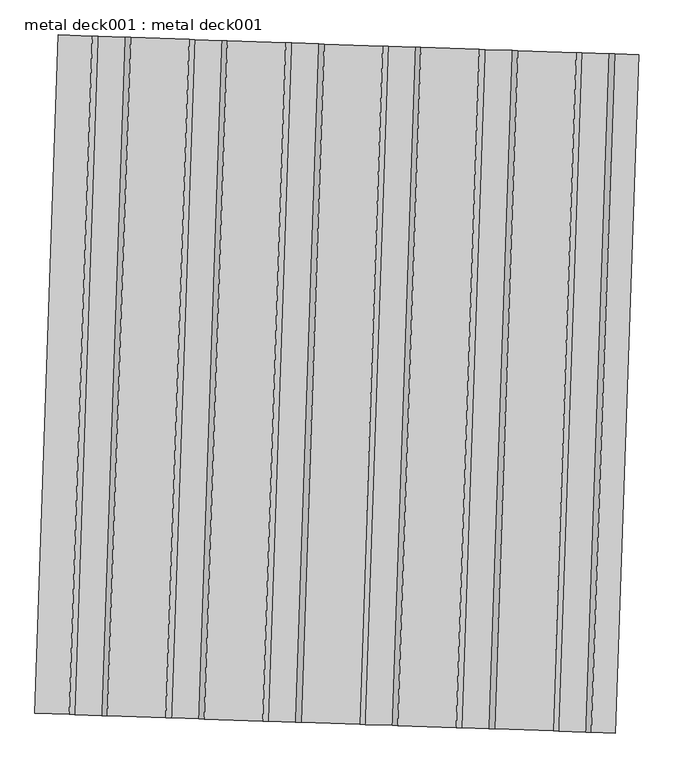
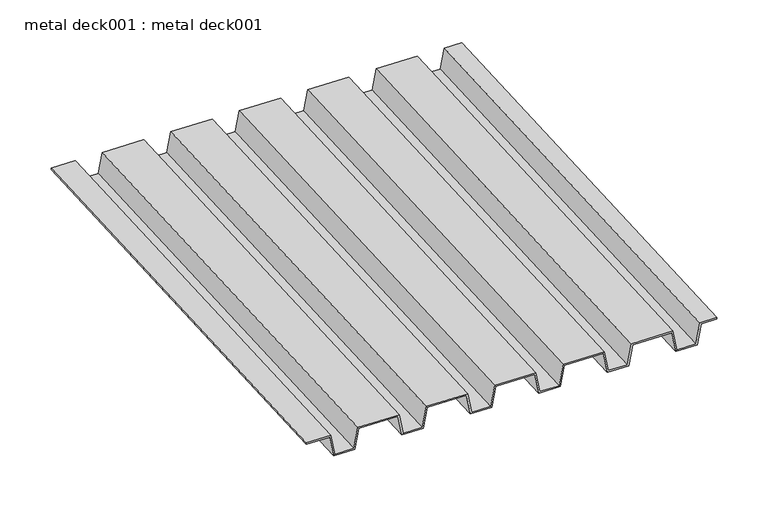
"""IFC4 building model written with IfcOpenShell, lengths in millimetres: proxy geometry, metal deck001 : metal deck001."""

from ifc_helpers import new_model, si_unit, frame, origin, place, context, project, spatial, polyline, outline, extrude, source, transform, mapped, element, save


def metal_deck001_metal_deck001_d8a4e8d2(model_context):
    return source(origin(), model_context, "Body", "SweptSolid", [
        extrude(outline(polyline([(0.0, 0.0), (8.7869379, -46.8636687), (-36.376711, -64.4171516), (-29.840921, -99.2746981), (-32.9615402, -99.8598142), (-39.9829334, -62.4123839), (5.1807154, -44.8589009), (-2.635016, -3.175), (-51.0899429, -3.1749999), (-68.0685062, 87.3773375), (-22.9048573, 104.9308204), (-30.7205887, 146.6147214), (-79.1755156, 146.6147213), (-96.1540789, 237.1670587), (-50.99043, 254.7205417), (-58.8061614, 296.4044426), (-107.2610884, 296.4044426), (-124.2396516, 386.95678), (-79.0760028, 404.510263), (-86.8917342, 446.1941639), (-135.3466611, 446.1941639), (-152.3252244, 536.7465013), (-107.1615755, 554.2999842), (-114.9773069, 595.9838851), (-163.4322339, 595.9838852), (-180.4107971, 686.5362226), (-135.2471483, 704.0897056), (-143.0628797, 745.7736065), (-191.5178066, 745.7736065), (-201.4749767, 798.8785136), (-198.3543575, 799.4636297), (-188.8827906, 748.9486065), (-140.4278637, 748.9486064), (-131.6409258, 702.0849378), (-176.8045747, 684.5314548), (-160.7972179, 599.1588851), (-112.342291, 599.1588852), (-103.5553531, 552.2952165), (-148.719002, 534.7417335), (-132.7116452, 449.3691639), (-84.2567182, 449.3691639), (-75.4697803, 402.5054952), (-120.6334292, 384.9520123), (-104.6260724, 299.5794426), (-56.1711455, 299.5794427), (-47.3842076, 252.7157739), (-92.5478565, 235.1622909), (-76.5404997, 149.7897214), (-28.0855727, 149.7897213), (-19.2986349, 102.9260526), (-64.4622837, 85.3725696), (-48.4549269, 0.0), (0.0, 0.0)])), frame((18081.4415279, -15971.5671005, 4592.000708), z_axis=(0.03420178184527797, 0.9994149479163337, 0.0), x_axis=(0.1841807166625471, -0.006302996272510018, -0.9828721869336111)), (0.0, 0.0, 1.0), 1068.3091581),
    ])


if __name__ == "__main__":
    model = new_model("IFC4")
    model_context = context("Model", 3, world=origin())
    ifc_project = project(units=[si_unit("LENGTHUNIT", "METRE", prefix="MILLI")], contexts=[model_context])
    site = spatial("IfcSite", under=ifc_project)
    building = spatial("IfcBuilding", under=site)
    placement = place(None, origin())
    metal_deck001_metal_deck001_shape = metal_deck001_metal_deck001_d8a4e8d2(model_context)
    element("IfcBuildingElementProxy", 1, Name="metal deck001 : metal deck001", ObjectType="metal deck001 : metal deck001", at=placement, inside=building, context=model_context, shape_type="MappedRepresentation", body=[
        mapped(metal_deck001_metal_deck001_shape, transform((0.0, 0.0, 0.0), x_axis=(1.0, 0.0, 0.0), y_axis=(0.0, 1.0, 0.0), z_axis=(0.0, 0.0, 1.0))),
    ])
    save(model, "model.ifc")
